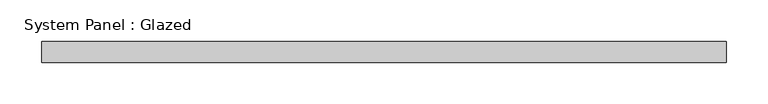
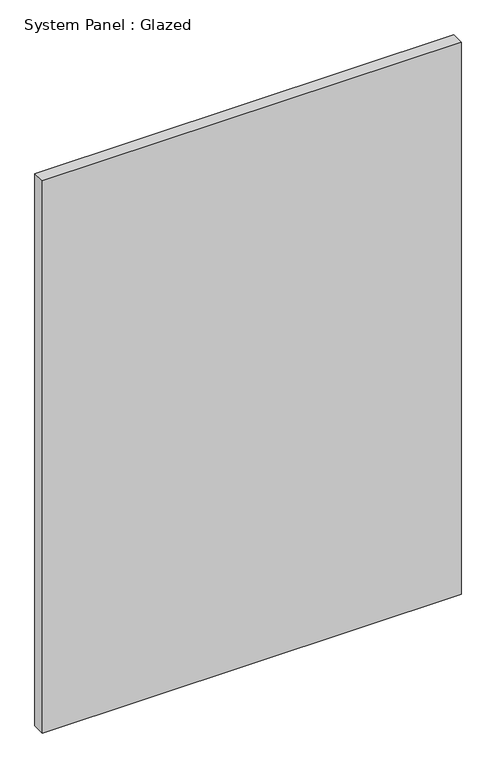
"""IFC4 building model written with IfcOpenShell, lengths in millimetres: plate geometry, System Panel : Glazed."""

from ifc_helpers import new_model, si_unit, origin, origin_with_axes, place, context, project, spatial, polyline, outline, extrude, source, transform, mapped, element, save


def system_panel_glazed_62b0f522(model_context):
    return source(origin(), model_context, "Body", "SweptSolid", [
        extrude(outline(polyline([(411.9567066, -12.7), (-411.9567066, -12.7), (-411.9567066, 12.7), (411.9567066, 12.7), (411.9567066, -12.7)])), origin_with_axes(), (0.0, 0.0, 1.0), 1148.5626254),
    ])


if __name__ == "__main__":
    model = new_model("IFC4")
    model_context = context("Model", 3, world=origin())
    ifc_project = project(units=[si_unit("LENGTHUNIT", "METRE", prefix="MILLI")], contexts=[model_context])
    site = spatial("IfcSite", under=ifc_project)
    building = spatial("IfcBuilding", under=site)
    placement = place(None, origin())
    system_panel_glazed_shape = system_panel_glazed_62b0f522(model_context)
    element("IfcPlate", 1, ObjectType="System Panel : Glazed", at=placement, inside=building, context=model_context, shape_type="MappedRepresentation", body=[
        mapped(system_panel_glazed_shape, transform((0.0, 0.0, 0.0), x_axis=(1.0, 0.0, 0.0), y_axis=(0.0, 1.0, 0.0), z_axis=(0.0, 0.0, 1.0))),
    ])
    save(model, "model.ifc")
